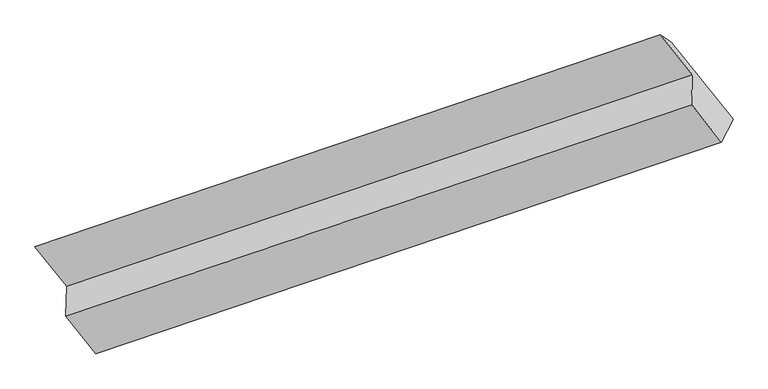
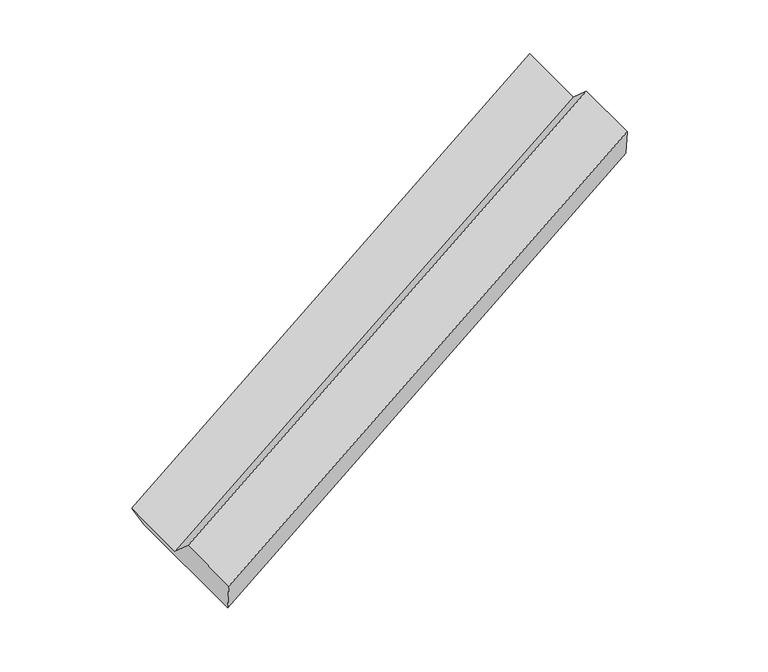
"""IFC4 building model written with IfcOpenShell, lengths in millimetres: proxy geometry."""

from ifc_helpers import new_model, si_unit, origin, place, context, project, spatial, faceted_brep, source, transform, mapped, element, save


def generic_models_60b006e4(model_context):
    return source(origin(), model_context, "Body", "Brep", [
        faceted_brep([(-5611.2311071, -2894.845972, -28.1783989), (-6227.762331, -2122.8335002, 836.2907922), (34.0536267, -4.0100489, 3440.3196874), (650.5848506, -776.0225207, 2575.8504964), (-6337.9616258, -2050.9438952, 1044.5641559), (-76.145668, 67.879556, 3648.5930511), (-6019.6438743, -2449.537291, 598.234954), (242.1720834, -330.7138397, 3202.2638492), (-6027.2618069, -2748.7636249, 860.0253922), (234.5541508, -629.9401737, 3464.0542875), (-5727.7027092, -3123.8676756, 439.9986347), (534.1132485, -1005.0442244, 3044.02753)], [[[0, 1, 2, 3]], [[1, 4, 5, 2]], [[4, 6, 7, 5]], [[6, 8, 9, 7]], [[8, 10, 11, 9]], [[10, 0, 3, 11]], [[9, 11, 3, 2, 5, 7]], [[0, 10, 8, 6, 4, 1]]]),
    ])


if __name__ == "__main__":
    model = new_model("IFC4")
    model_context = context("Model", 3, world=origin())
    ifc_project = project(units=[si_unit("LENGTHUNIT", "METRE", prefix="MILLI")], contexts=[model_context])
    site = spatial("IfcSite", under=ifc_project)
    building = spatial("IfcBuilding", under=site)
    placement = place(None, origin())
    generic_models_shape = generic_models_60b006e4(model_context)
    element("IfcBuildingElementProxy", 1, Name="Generic Models", at=placement, inside=building, context=model_context, shape_type="MappedRepresentation", body=[
        mapped(generic_models_shape, transform((0.0, 0.0, 0.0), x_axis=(1.0, 0.0, 0.0), y_axis=(0.0, 1.0, 0.0), z_axis=(0.0, 0.0, 1.0))),
    ])
    save(model, "model.ifc")
